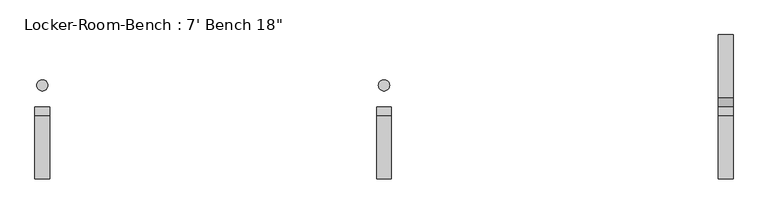
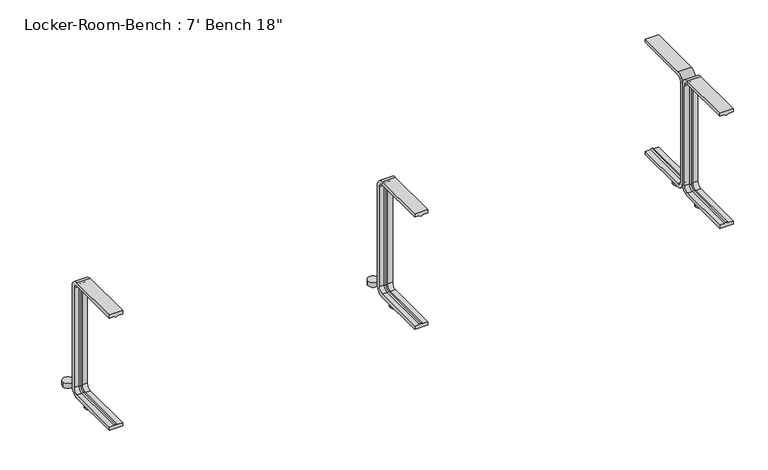
"""IFC4 building model written with IfcOpenShell, lengths in millimetres: proxy geometry."""

from ifc_helpers import new_model, si_unit, point, frame, frame_2d, origin, origin_with_axes, place, context, project, spatial, polyline, circle_curve, ellipse_curve, trimmed, segment, composite_curve, outline, extrude, source, transform, mapped, element, save
from ifc_brep_helpers import plane_surface, cylinder_surface, revolved_surface, advanced_brep


def proxy_ab2c8631(model_context):
    return source(origin(), model_context, "Body", "SolidModel", [
        extrude(outline(composite_curve([segment(trimmed(circle_curve(frame_2d((916.8, 57.5)), 15.0), [point((901.8, 57.5))], [point((931.8, 57.5))], False, "CARTESIAN"), True, "CONTINUOUS"), segment(trimmed(circle_curve(frame_2d((916.8, 57.5)), 15.0), [point((931.8, 57.5))], [point((901.8, 57.5))], False, "CARTESIAN"), True, "CONTINUOUS")], self_intersect=False)), origin_with_axes(), (0.0, 0.0, 1.0), 15.0),
        extrude(outline(composite_curve([segment(trimmed(circle_curve(frame_2d((916.8, -57.5)), 15.0), [point((901.8, -57.5))], [point((931.8, -57.5))], False, "CARTESIAN"), True, "CONTINUOUS"), segment(trimmed(circle_curve(frame_2d((916.8, -57.5)), 15.0), [point((931.8, -57.5))], [point((901.8, -57.5))], False, "CARTESIAN"), True, "CONTINUOUS")], self_intersect=False)), origin_with_axes(), (0.0, 0.0, 1.0), 15.0),
        extrude(outline(composite_curve([segment(trimmed(circle_curve(frame_2d((0.0, 57.5)), 15.0), [point((-15.0, 57.5))], [point((15.0, 57.5))], False, "CARTESIAN"), True, "CONTINUOUS"), segment(trimmed(circle_curve(frame_2d((0.0, 57.5)), 15.0), [point((15.0, 57.5))], [point((-15.0, 57.5))], False, "CARTESIAN"), True, "CONTINUOUS")], self_intersect=False)), origin_with_axes(), (0.0, 0.0, 1.0), 15.0),
        extrude(outline(composite_curve([segment(trimmed(circle_curve(frame_2d((0.0, -57.5)), 15.0), [point((-15.0, -57.5))], [point((15.0, -57.5))], False, "CARTESIAN"), True, "CONTINUOUS"), segment(trimmed(circle_curve(frame_2d((0.0, -57.5)), 15.0), [point((15.0, -57.5))], [point((-15.0, -57.5))], False, "CARTESIAN"), True, "CONTINUOUS")], self_intersect=False)), origin_with_axes(), (0.0, 0.0, 1.0), 15.0),
        extrude(outline(composite_curve([segment(trimmed(circle_curve(frame_2d((-916.8, 57.5)), 15.0), [point((-931.8, 57.5))], [point((-901.8, 57.5))], False, "CARTESIAN"), True, "CONTINUOUS"), segment(trimmed(circle_curve(frame_2d((-916.8, 57.5)), 15.0), [point((-901.8, 57.5))], [point((-931.8, 57.5))], False, "CARTESIAN"), True, "CONTINUOUS")], self_intersect=False)), origin_with_axes(), (0.0, 0.0, 1.0), 15.0),
        extrude(outline(composite_curve([segment(trimmed(circle_curve(frame_2d((-916.8, -57.5)), 15.0), [point((-931.8, -57.5))], [point((-901.8, -57.5))], False, "CARTESIAN"), True, "CONTINUOUS"), segment(trimmed(circle_curve(frame_2d((-916.8, -57.5)), 15.0), [point((-901.8, -57.5))], [point((-931.8, -57.5))], False, "CARTESIAN"), True, "CONTINUOUS")], self_intersect=False)), origin_with_axes(), (0.0, 0.0, 1.0), 15.0),
        advanced_brep(
        [(936.8, -193.6, 381.4), (896.8, -193.6, 381.4), (896.8, -193.6, 371.4), (911.8, -193.6, 371.4), (916.8, -193.6, 369.0684617), (921.8, -193.6, 371.4), (936.8, -193.6, 371.4), (936.8, -25.0, 371.4), (936.8, -10.0, 356.4), (936.8, -10.0, 40.0), (936.8, -25.0, 25.0), (936.8, -193.6, 25.0), (936.8, -193.6, 15.0), (936.8, -25.0, 15.0), (936.8, 0.0, 40.0), (936.8, 0.0, 356.4), (936.8, -25.0, 381.4), (921.8, -25.0, 371.4), (916.8, -25.0, 369.0684617), (911.8, -25.0, 371.4), (896.8, -25.0, 371.4), (896.8, -25.0, 381.4), (896.8, 0.0, 356.4), (896.8, 0.0, 40.0), (896.8, -25.0, 15.0), (896.8, -193.6, 15.0), (896.8, -193.6, 25.0), (896.8, -25.0, 25.0), (896.8, -10.0, 40.0), (896.8, -10.0, 356.4), (921.8, -10.0, 356.4), (916.8, -12.3315383, 356.4), (911.8, -10.0, 356.4), (921.8, -10.0, 40.0), (916.8, -12.3315383, 40.0), (911.8, -10.0, 40.0), (921.8, -25.0, 25.0), (916.8, -25.0, 27.3315383), (911.8, -25.0, 25.0), (921.8, -193.6, 25.0), (916.8, -193.6, 27.3315383), (911.8, -193.6, 25.0)],
        [
            (0, 1),
            (1, 2),
            (2, 3),
            (3, 4, circle_curve(frame((916.5003591, -193.6, 374.9529162), z_axis=(0.0, -1.0, 0.0), x_axis=(0.0, 0.0, -1.0)), 5.8920785)),
            (4, 5, circle_curve(frame((917.0996409, -193.6, 374.9529162), z_axis=(0.0, -1.0, 0.0), x_axis=(0.0, 0.0, -1.0)), 5.8920785)),
            (5, 6),
            (6, 0),
            (6, 7),
            (7, 8, circle_curve(frame((936.8, -25.0, 356.4), z_axis=(-1.0, 0.0, 0.0), x_axis=(0.0, 0.0, 1.0)), 15.0)),
            (8, 9),
            (9, 10, circle_curve(frame((936.8, -25.0, 40.0), z_axis=(-1.0, 0.0, 0.0), x_axis=(0.0, 1.0, 0.0)), 15.0)),
            (10, 11),
            (11, 12),
            (12, 13),
            (13, 14, circle_curve(frame((936.8, -25.0, 40.0), z_axis=(1.0, 0.0, 0.0), x_axis=(0.0, 1.0, 0.0)), 25.0)),
            (14, 15),
            (15, 16, circle_curve(frame((936.8, -25.0, 356.4), z_axis=(1.0, 0.0, 0.0), x_axis=(0.0, 0.0, 1.0)), 25.0)),
            (16, 0),
            (5, 17),
            (17, 7),
            (4, 18),
            (18, 17, circle_curve(frame((917.0996409, -25.0, 374.9529162), z_axis=(0.0, -1.0, 0.0), x_axis=(0.0, 0.0, -1.0)), 5.8920785)),
            (3, 19),
            (19, 18, circle_curve(frame((916.5003591, -25.0, 374.9529162), z_axis=(0.0, -1.0, 0.0), x_axis=(0.0, 0.0, -1.0)), 5.8920785)),
            (2, 20),
            (20, 19),
            (1, 21),
            (21, 22, circle_curve(frame((896.8, -25.0, 356.4), z_axis=(-1.0, 0.0, 0.0), x_axis=(0.0, 0.0, 1.0)), 25.0)),
            (22, 23),
            (23, 24, circle_curve(frame((896.8, -25.0, 40.0), z_axis=(-1.0, 0.0, 0.0), x_axis=(0.0, 1.0, 0.0)), 25.0)),
            (24, 25),
            (25, 26),
            (26, 27),
            (27, 28, circle_curve(frame((896.8, -25.0, 40.0), z_axis=(1.0, 0.0, 0.0), x_axis=(0.0, 1.0, 0.0)), 15.0)),
            (28, 29),
            (29, 20, circle_curve(frame((896.8, -25.0, 356.4), z_axis=(1.0, 0.0, 0.0), x_axis=(0.0, 0.0, 1.0)), 15.0)),
            (16, 21),
            (30, 8),
            (17, 30, circle_curve(frame((921.8, -25.0, 356.4), z_axis=(-1.0, 0.0, 0.0), x_axis=(0.0, 0.0, 1.0)), 15.0)),
            (31, 30, circle_curve(frame((917.0996409, -6.4470838, 356.4), z_axis=(0.0, 0.0, 1.0), x_axis=(0.0, -1.0, 0.0)), 5.8920785)),
            (18, 31, circle_curve(frame((916.8, -25.0, 356.4), z_axis=(-1.0, 0.0, 0.0), x_axis=(0.0, 0.0, 1.0)), 12.6684617)),
            (32, 31, circle_curve(frame((916.5003591, -6.4470838, 356.4), z_axis=(0.0, 0.0, 1.0), x_axis=(0.0, -1.0, 0.0)), 5.8920785)),
            (19, 32, circle_curve(frame((911.8, -25.0, 356.4), z_axis=(-1.0, 0.0, 0.0), x_axis=(0.0, 0.0, 1.0)), 15.0)),
            (29, 32),
            (15, 22),
            (30, 33),
            (33, 9),
            (31, 34),
            (34, 33, circle_curve(frame((917.0996409, -6.4470838, 40.0), z_axis=(0.0, 0.0, 1.0), x_axis=(0.0, -1.0, 0.0)), 5.8920785)),
            (32, 35),
            (35, 34, circle_curve(frame((916.5003591, -6.4470838, 40.0), z_axis=(0.0, 0.0, 1.0), x_axis=(0.0, -1.0, 0.0)), 5.8920785)),
            (28, 35),
            (14, 23),
            (36, 10),
            (33, 36, circle_curve(frame((921.8, -25.0, 40.0), z_axis=(-1.0, 0.0, 0.0), x_axis=(0.0, 1.0, 0.0)), 15.0)),
            (37, 36, circle_curve(frame((917.0996409, -25.0, 21.4470838), z_axis=(0.0, 1.0, 0.0), x_axis=(0.0, 0.0, 1.0)), 5.8920785)),
            (34, 37, circle_curve(frame((916.8, -25.0, 40.0), z_axis=(-1.0, 0.0, 0.0), x_axis=(0.0, 1.0, 0.0)), 12.6684617)),
            (38, 37, circle_curve(frame((916.5003591, -25.0, 21.4470838), z_axis=(0.0, 1.0, 0.0), x_axis=(0.0, 0.0, 1.0)), 5.8920785)),
            (35, 38, circle_curve(frame((911.8, -25.0, 40.0), z_axis=(-1.0, 0.0, 0.0), x_axis=(0.0, 1.0, 0.0)), 15.0)),
            (27, 38),
            (13, 24),
            (11, 39),
            (39, 40, circle_curve(frame((917.0996409, -193.6, 21.4470838), z_axis=(0.0, -1.0, 0.0), x_axis=(0.0, 0.0, 1.0)), 5.8920785)),
            (40, 41, circle_curve(frame((916.5003591, -193.6, 21.4470838), z_axis=(0.0, -1.0, 0.0), x_axis=(0.0, 0.0, 1.0)), 5.8920785)),
            (41, 26),
            (25, 12),
            (36, 39),
            (37, 40),
            (38, 41),
        ],
        [
            plane_surface(frame((916.8, -193.6, 381.4), z_axis=(0.0, -1.0, 0.0), x_axis=(1.0, 0.0, 0.0))),
            plane_surface(frame((936.8, -193.6, 381.4), z_axis=(1.0, 0.0, 0.0), x_axis=(0.0, 1.0, 0.0))),
            plane_surface(frame((936.8, -193.6, 371.4), z_axis=(0.0, 0.0, -1.0), x_axis=(0.0, 1.0, 0.0))),
            cylinder_surface(frame((917.0996409, -193.6, 374.9529162), z_axis=(0.0, -1.0, 0.0), x_axis=(0.0, 0.0, -1.0)), 5.8920785),
            cylinder_surface(frame((916.5003591, -193.6, 374.9529162), z_axis=(0.0, -1.0, 0.0), x_axis=(0.0, 0.0, -1.0)), 5.8920785),
            plane_surface(frame((911.8, -193.6, 371.4), z_axis=(0.0, 0.0, -1.0), x_axis=(0.0, 1.0, 0.0))),
            plane_surface(frame((896.8, -193.6, 371.4), z_axis=(-1.0, 0.0, 0.0), x_axis=(0.0, 1.0, 0.0))),
            plane_surface(frame((896.8, -193.6, 381.4), z_axis=(0.0, 0.0, 1.0), x_axis=(0.0, 1.0, 0.0))),
            revolved_surface(polyline([(936.8, -25.0, 371.4), (921.8, -25.0, 371.4)]), (916.8, -25.0, 356.4), (1.0, 0.0, 0.0)),
            revolved_surface(trimmed(ellipse_curve(frame((917.0996409, -25.0, 374.9529162), z_axis=(0.0, 1.0, 0.0), x_axis=(0.0, 0.0, -1.0)), 5.8920785, 5.8920785), [point((921.8, -25.0, 371.4))], [point((916.8, -25.0, 369.0684617))], True, "CARTESIAN"), (916.8, -25.0, 356.4), (1.0, 0.0, 0.0)),
            revolved_surface(trimmed(ellipse_curve(frame((916.5003591, -25.0, 374.9529162), z_axis=(0.0, 1.0, 0.0), x_axis=(0.0, 0.0, -1.0)), 5.8920785, 5.8920785), [point((916.8, -25.0, 369.0684617))], [point((911.8, -25.0, 371.4))], True, "CARTESIAN"), (916.8, -25.0, 356.4), (1.0, 0.0, 0.0)),
            revolved_surface(polyline([(911.8, -25.0, 371.4), (896.8, -25.0, 371.4)]), (916.8, -25.0, 356.4), (1.0, 0.0, 0.0)),
            cylinder_surface(frame((916.8, -25.0, 356.4), z_axis=(1.0, 0.0, 0.0), x_axis=(0.0, 0.0, 1.0)), 25.0),
            plane_surface(frame((936.8, -10.0, 356.4), z_axis=(0.0, -1.0, 0.0), x_axis=(0.0, 0.0, -1.0))),
            cylinder_surface(frame((917.0996409, -6.4470838, 356.4), z_axis=(0.0, 0.0, 1.0), x_axis=(0.0, -1.0, 0.0)), 5.8920785),
            cylinder_surface(frame((916.5003591, -6.4470838, 356.4), z_axis=(0.0, 0.0, 1.0), x_axis=(0.0, -1.0, 0.0)), 5.8920785),
            plane_surface(frame((911.8, -10.0, 356.4), z_axis=(0.0, -1.0, 0.0), x_axis=(0.0, 0.0, -1.0))),
            plane_surface(frame((896.8, 0.0, 356.4), z_axis=(0.0, 1.0, 0.0), x_axis=(0.0, 0.0, -1.0))),
            revolved_surface(polyline([(936.8, -10.0, 40.0), (921.8, -10.0, 40.0)]), (916.8, -25.0, 40.0), (1.0, 0.0, 0.0)),
            revolved_surface(trimmed(ellipse_curve(frame((917.0996409, -6.4470838, 40.0), z_axis=(0.0, 0.0, -1.0), x_axis=(0.0, -1.0, 0.0)), 5.8920785, 5.8920785), [point((921.8, -10.0, 40.0))], [point((916.8, -12.3315383, 40.0))], True, "CARTESIAN"), (916.8, -25.0, 40.0), (1.0, 0.0, 0.0)),
            revolved_surface(trimmed(ellipse_curve(frame((916.5003591, -6.4470838, 40.0), z_axis=(0.0, 0.0, -1.0), x_axis=(0.0, -1.0, 0.0)), 5.8920785, 5.8920785), [point((916.8, -12.3315383, 40.0))], [point((911.8, -10.0, 40.0))], True, "CARTESIAN"), (916.8, -25.0, 40.0), (1.0, 0.0, 0.0)),
            revolved_surface(polyline([(911.8, -10.0, 40.0), (896.8, -10.0, 40.0)]), (916.8, -25.0, 40.0), (1.0, 0.0, 0.0)),
            cylinder_surface(frame((916.8, -25.0, 40.0), z_axis=(1.0, 0.0, 0.0), x_axis=(0.0, 1.0, 0.0)), 25.0),
            plane_surface(frame((916.8, -193.6, 15.0), z_axis=(0.0, -1.0, 0.0), x_axis=(1.0, 0.0, 0.0))),
            plane_surface(frame((936.8, -25.0, 25.0), z_axis=(0.0, 0.0, 1.0), x_axis=(0.0, -1.0, 0.0))),
            cylinder_surface(frame((917.0996409, -25.0, 21.4470838), z_axis=(0.0, 1.0, 0.0), x_axis=(0.0, 0.0, 1.0)), 5.8920785),
            cylinder_surface(frame((916.5003591, -25.0, 21.4470838), z_axis=(0.0, 1.0, 0.0), x_axis=(0.0, 0.0, 1.0)), 5.8920785),
            plane_surface(frame((911.8, -25.0, 25.0), z_axis=(0.0, 0.0, 1.0), x_axis=(0.0, -1.0, 0.0))),
            plane_surface(frame((896.8, -25.0, 15.0), z_axis=(0.0, 0.0, -1.0), x_axis=(0.0, -1.0, 0.0))),
        ],
        [
            (0, [[1, 2, 3, 4, 5, 6, 7]]),
            (1, [[8, 9, 10, 11, 12, 13, 14, 15, 16, 17, 18, -7]]),
            (2, [[19, 20, -8, -6]]),
            (3, [[21, 22, -19, -5]]),
            (4, [[23, 24, -21, -4]]),
            (5, [[25, 26, -23, -3]]),
            (6, [[27, 28, 29, 30, 31, 32, 33, 34, 35, 36, -25, -2]]),
            (7, [[-18, 37, -27, -1]]),
            (8, [[38, -9, -20, 39]]),
            (9, [[40, -39, -22, 41]]),
            (10, [[42, -41, -24, 43]]),
            (11, [[44, -43, -26, -36]]),
            (12, [[45, -28, -37, -17]]),
            (13, [[46, 47, -10, -38]]),
            (14, [[48, 49, -46, -40]]),
            (15, [[50, 51, -48, -42]]),
            (16, [[-35, 52, -50, -44]]),
            (17, [[-16, 53, -29, -45]]),
            (18, [[54, -11, -47, 55]]),
            (19, [[56, -55, -49, 57]]),
            (20, [[58, -57, -51, 59]]),
            (21, [[60, -59, -52, -34]]),
            (22, [[61, -30, -53, -15]]),
            (23, [[-13, 62, 63, 64, 65, -32, 66]]),
            (24, [[67, -62, -12, -54]]),
            (25, [[68, -63, -67, -56]]),
            (26, [[69, -64, -68, -58]]),
            (27, [[-33, -65, -69, -60]]),
            (28, [[-14, -66, -31, -61]]),
        ],
    ),
        advanced_brep(
        [(20.0, -193.6, 381.4), (-20.0, -193.6, 381.4), (-20.0, -193.6, 371.4), (-5.0, -193.6, 371.4), (0.0, -193.6, 369.0684617), (5.0, -193.6, 371.4), (20.0, -193.6, 371.4), (20.0, -25.0, 371.4), (20.0, -10.0, 356.4), (20.0, -10.0, 40.0), (20.0, -25.0, 25.0), (20.0, -193.6, 25.0), (20.0, -193.6, 15.0), (20.0, -25.0, 15.0), (20.0, 0.0, 40.0), (20.0, 0.0, 356.4), (20.0, -25.0, 381.4), (5.0, -25.0, 371.4), (0.0, -25.0, 369.0684617), (-5.0, -25.0, 371.4), (-20.0, -25.0, 371.4), (-20.0, -25.0, 381.4), (-20.0, 0.0, 356.4), (-20.0, 0.0, 40.0), (-20.0, -25.0, 15.0), (-20.0, -193.6, 15.0), (-20.0, -193.6, 25.0), (-20.0, -25.0, 25.0), (-20.0, -10.0, 40.0), (-20.0, -10.0, 356.4), (5.0, -10.0, 356.4), (0.0, -12.3315383, 356.4), (-5.0, -10.0, 356.4), (5.0, -10.0, 40.0), (0.0, -12.3315383, 40.0), (-5.0, -10.0, 40.0), (5.0, -25.0, 25.0), (0.0, -25.0, 27.3315383), (-5.0, -25.0, 25.0), (5.0, -193.6, 25.0), (0.0, -193.6, 27.3315383), (-5.0, -193.6, 25.0)],
        [
            (0, 1),
            (1, 2),
            (2, 3),
            (3, 4, circle_curve(frame((-0.2996409, -193.6, 374.9529162), z_axis=(0.0, -1.0, 0.0), x_axis=(0.0, 0.0, -1.0)), 5.8920785)),
            (4, 5, circle_curve(frame((0.2996409, -193.6, 374.9529162), z_axis=(0.0, -1.0, 0.0), x_axis=(0.0, 0.0, -1.0)), 5.8920785)),
            (5, 6),
            (6, 0),
            (6, 7),
            (7, 8, circle_curve(frame((20.0, -25.0, 356.4), z_axis=(-1.0, 0.0, 0.0), x_axis=(0.0, 0.0, 1.0)), 15.0)),
            (8, 9),
            (9, 10, circle_curve(frame((20.0, -25.0, 40.0), z_axis=(-1.0, 0.0, 0.0), x_axis=(0.0, 1.0, 0.0)), 15.0)),
            (10, 11),
            (11, 12),
            (12, 13),
            (13, 14, circle_curve(frame((20.0, -25.0, 40.0), z_axis=(1.0, 0.0, 0.0), x_axis=(0.0, 1.0, 0.0)), 25.0)),
            (14, 15),
            (15, 16, circle_curve(frame((20.0, -25.0, 356.4), z_axis=(1.0, 0.0, 0.0), x_axis=(0.0, 0.0, 1.0)), 25.0)),
            (16, 0),
            (5, 17),
            (17, 7),
            (4, 18),
            (18, 17, circle_curve(frame((0.2996409, -25.0, 374.9529162), z_axis=(0.0, -1.0, 0.0), x_axis=(0.0, 0.0, -1.0)), 5.8920785)),
            (3, 19),
            (19, 18, circle_curve(frame((-0.2996409, -25.0, 374.9529162), z_axis=(0.0, -1.0, 0.0), x_axis=(0.0, 0.0, -1.0)), 5.8920785)),
            (2, 20),
            (20, 19),
            (1, 21),
            (21, 22, circle_curve(frame((-20.0, -25.0, 356.4), z_axis=(-1.0, 0.0, 0.0), x_axis=(0.0, 0.0, 1.0)), 25.0)),
            (22, 23),
            (23, 24, circle_curve(frame((-20.0, -25.0, 40.0), z_axis=(-1.0, 0.0, 0.0), x_axis=(0.0, 1.0, 0.0)), 25.0)),
            (24, 25),
            (25, 26),
            (26, 27),
            (27, 28, circle_curve(frame((-20.0, -25.0, 40.0), z_axis=(1.0, 0.0, 0.0), x_axis=(0.0, 1.0, 0.0)), 15.0)),
            (28, 29),
            (29, 20, circle_curve(frame((-20.0, -25.0, 356.4), z_axis=(1.0, 0.0, 0.0), x_axis=(0.0, 0.0, 1.0)), 15.0)),
            (16, 21),
            (30, 8),
            (17, 30, circle_curve(frame((5.0, -25.0, 356.4), z_axis=(-1.0, 0.0, 0.0), x_axis=(0.0, 0.0, 1.0)), 15.0)),
            (31, 30, circle_curve(frame((0.2996409, -6.4470838, 356.4), z_axis=(0.0, 0.0, 1.0), x_axis=(0.0, -1.0, 0.0)), 5.8920785)),
            (18, 31, circle_curve(frame((0.0, -25.0, 356.4), z_axis=(-1.0, 0.0, 0.0), x_axis=(0.0, 0.0, 1.0)), 12.6684617)),
            (32, 31, circle_curve(frame((-0.2996409, -6.4470838, 356.4), z_axis=(0.0, 0.0, 1.0), x_axis=(0.0, -1.0, 0.0)), 5.8920785)),
            (19, 32, circle_curve(frame((-5.0, -25.0, 356.4), z_axis=(-1.0, 0.0, 0.0), x_axis=(0.0, 0.0, 1.0)), 15.0)),
            (29, 32),
            (15, 22),
            (30, 33),
            (33, 9),
            (31, 34),
            (34, 33, circle_curve(frame((0.2996409, -6.4470838, 40.0), z_axis=(0.0, 0.0, 1.0), x_axis=(0.0, -1.0, 0.0)), 5.8920785)),
            (32, 35),
            (35, 34, circle_curve(frame((-0.2996409, -6.4470838, 40.0), z_axis=(0.0, 0.0, 1.0), x_axis=(0.0, -1.0, 0.0)), 5.8920785)),
            (28, 35),
            (14, 23),
            (36, 10),
            (33, 36, circle_curve(frame((5.0, -25.0, 40.0), z_axis=(-1.0, 0.0, 0.0), x_axis=(0.0, 1.0, 0.0)), 15.0)),
            (37, 36, circle_curve(frame((0.2996409, -25.0, 21.4470838), z_axis=(0.0, 1.0, 0.0), x_axis=(0.0, 0.0, 1.0)), 5.8920785)),
            (34, 37, circle_curve(frame((0.0, -25.0, 40.0), z_axis=(-1.0, 0.0, 0.0), x_axis=(0.0, 1.0, 0.0)), 12.6684617)),
            (38, 37, circle_curve(frame((-0.2996409, -25.0, 21.4470838), z_axis=(0.0, 1.0, 0.0), x_axis=(0.0, 0.0, 1.0)), 5.8920785)),
            (35, 38, circle_curve(frame((-5.0, -25.0, 40.0), z_axis=(-1.0, 0.0, 0.0), x_axis=(0.0, 1.0, 0.0)), 15.0)),
            (27, 38),
            (13, 24),
            (11, 39),
            (39, 40, circle_curve(frame((0.2996409, -193.6, 21.4470838), z_axis=(0.0, -1.0, 0.0), x_axis=(0.0, 0.0, 1.0)), 5.8920785)),
            (40, 41, circle_curve(frame((-0.2996409, -193.6, 21.4470838), z_axis=(0.0, -1.0, 0.0), x_axis=(0.0, 0.0, 1.0)), 5.8920785)),
            (41, 26),
            (25, 12),
            (36, 39),
            (37, 40),
            (38, 41),
        ],
        [
            plane_surface(frame((0.0, -193.6, 381.4), z_axis=(0.0, -1.0, 0.0), x_axis=(1.0, 0.0, 0.0))),
            plane_surface(frame((20.0, -193.6, 381.4), z_axis=(1.0, 0.0, 0.0), x_axis=(0.0, 1.0, 0.0))),
            plane_surface(frame((20.0, -193.6, 371.4), z_axis=(0.0, 0.0, -1.0), x_axis=(0.0, 1.0, 0.0))),
            cylinder_surface(frame((0.2996409, -193.6, 374.9529162), z_axis=(0.0, -1.0, 0.0), x_axis=(0.0, 0.0, -1.0)), 5.8920785),
            cylinder_surface(frame((-0.2996409, -193.6, 374.9529162), z_axis=(0.0, -1.0, 0.0), x_axis=(0.0, 0.0, -1.0)), 5.8920785),
            plane_surface(frame((-5.0, -193.6, 371.4), z_axis=(0.0, 0.0, -1.0), x_axis=(0.0, 1.0, 0.0))),
            plane_surface(frame((-20.0, -193.6, 371.4), z_axis=(-1.0, 0.0, 0.0), x_axis=(0.0, 1.0, 0.0))),
            plane_surface(frame((-20.0, -193.6, 381.4), z_axis=(0.0, 0.0, 1.0), x_axis=(0.0, 1.0, 0.0))),
            revolved_surface(polyline([(20.0, -25.0, 371.4), (5.0, -25.0, 371.4)]), (0.0, -25.0, 356.4), (1.0, 0.0, 0.0)),
            revolved_surface(trimmed(ellipse_curve(frame((0.2996409, -25.0, 374.9529162), z_axis=(0.0, 1.0, 0.0), x_axis=(0.0, 0.0, -1.0)), 5.8920785, 5.8920785), [point((5.0, -25.0, 371.4))], [point((0.0, -25.0, 369.0684617))], True, "CARTESIAN"), (0.0, -25.0, 356.4), (1.0, 0.0, 0.0)),
            revolved_surface(trimmed(ellipse_curve(frame((-0.2996409, -25.0, 374.9529162), z_axis=(0.0, 1.0, 0.0), x_axis=(0.0, 0.0, -1.0)), 5.8920785, 5.8920785), [point((0.0, -25.0, 369.0684617))], [point((-5.0, -25.0, 371.4))], True, "CARTESIAN"), (0.0, -25.0, 356.4), (1.0, 0.0, 0.0)),
            revolved_surface(polyline([(-5.0, -25.0, 371.4), (-20.0, -25.0, 371.4)]), (0.0, -25.0, 356.4), (1.0, 0.0, 0.0)),
            cylinder_surface(frame((0.0, -25.0, 356.4), z_axis=(1.0, 0.0, 0.0), x_axis=(0.0, 0.0, 1.0)), 25.0),
            plane_surface(frame((20.0, -10.0, 356.4), z_axis=(0.0, -1.0, 0.0), x_axis=(0.0, 0.0, -1.0))),
            cylinder_surface(frame((0.2996409, -6.4470838, 356.4), z_axis=(0.0, 0.0, 1.0), x_axis=(0.0, -1.0, 0.0)), 5.8920785),
            cylinder_surface(frame((-0.2996409, -6.4470838, 356.4), z_axis=(0.0, 0.0, 1.0), x_axis=(0.0, -1.0, 0.0)), 5.8920785),
            plane_surface(frame((-5.0, -10.0, 356.4), z_axis=(0.0, -1.0, 0.0), x_axis=(0.0, 0.0, -1.0))),
            plane_surface(frame((-20.0, 0.0, 356.4), z_axis=(0.0, 1.0, 0.0), x_axis=(0.0, 0.0, -1.0))),
            revolved_surface(polyline([(20.0, -10.0, 40.0), (5.0, -10.0, 40.0)]), (0.0, -25.0, 40.0), (1.0, 0.0, 0.0)),
            revolved_surface(trimmed(ellipse_curve(frame((0.2996409, -6.4470838, 40.0), z_axis=(0.0, 0.0, -1.0), x_axis=(0.0, -1.0, 0.0)), 5.8920785, 5.8920785), [point((5.0, -10.0, 40.0))], [point((0.0, -12.3315383, 40.0))], True, "CARTESIAN"), (0.0, -25.0, 40.0), (1.0, 0.0, 0.0)),
            revolved_surface(trimmed(ellipse_curve(frame((-0.2996409, -6.4470838, 40.0), z_axis=(0.0, 0.0, -1.0), x_axis=(0.0, -1.0, 0.0)), 5.8920785, 5.8920785), [point((0.0, -12.3315383, 40.0))], [point((-5.0, -10.0, 40.0))], True, "CARTESIAN"), (0.0, -25.0, 40.0), (1.0, 0.0, 0.0)),
            revolved_surface(polyline([(-5.0, -10.0, 40.0), (-20.0, -10.0, 40.0)]), (0.0, -25.0, 40.0), (1.0, 0.0, 0.0)),
            cylinder_surface(frame((0.0, -25.0, 40.0), z_axis=(1.0, 0.0, 0.0), x_axis=(0.0, 1.0, 0.0)), 25.0),
            plane_surface(frame((0.0, -193.6, 15.0), z_axis=(0.0, -1.0, 0.0), x_axis=(1.0, 0.0, 0.0))),
            plane_surface(frame((20.0, -25.0, 25.0), z_axis=(0.0, 0.0, 1.0), x_axis=(0.0, -1.0, 0.0))),
            cylinder_surface(frame((0.2996409, -25.0, 21.4470838), z_axis=(0.0, 1.0, 0.0), x_axis=(0.0, 0.0, 1.0)), 5.8920785),
            cylinder_surface(frame((-0.2996409, -25.0, 21.4470838), z_axis=(0.0, 1.0, 0.0), x_axis=(0.0, 0.0, 1.0)), 5.8920785),
            plane_surface(frame((-5.0, -25.0, 25.0), z_axis=(0.0, 0.0, 1.0), x_axis=(0.0, -1.0, 0.0))),
            plane_surface(frame((-20.0, -25.0, 15.0), z_axis=(0.0, 0.0, -1.0), x_axis=(0.0, -1.0, 0.0))),
        ],
        [
            (0, [[1, 2, 3, 4, 5, 6, 7]]),
            (1, [[8, 9, 10, 11, 12, 13, 14, 15, 16, 17, 18, -7]]),
            (2, [[19, 20, -8, -6]]),
            (3, [[21, 22, -19, -5]]),
            (4, [[23, 24, -21, -4]]),
            (5, [[25, 26, -23, -3]]),
            (6, [[27, 28, 29, 30, 31, 32, 33, 34, 35, 36, -25, -2]]),
            (7, [[-18, 37, -27, -1]]),
            (8, [[38, -9, -20, 39]]),
            (9, [[40, -39, -22, 41]]),
            (10, [[42, -41, -24, 43]]),
            (11, [[44, -43, -26, -36]]),
            (12, [[45, -28, -37, -17]]),
            (13, [[46, 47, -10, -38]]),
            (14, [[48, 49, -46, -40]]),
            (15, [[50, 51, -48, -42]]),
            (16, [[-35, 52, -50, -44]]),
            (17, [[-16, 53, -29, -45]]),
            (18, [[54, -11, -47, 55]]),
            (19, [[56, -55, -49, 57]]),
            (20, [[58, -57, -51, 59]]),
            (21, [[60, -59, -52, -34]]),
            (22, [[61, -30, -53, -15]]),
            (23, [[-13, 62, 63, 64, 65, -32, 66]]),
            (24, [[67, -62, -12, -54]]),
            (25, [[68, -63, -67, -56]]),
            (26, [[69, -64, -68, -58]]),
            (27, [[-33, -65, -69, -60]]),
            (28, [[-14, -66, -31, -61]]),
        ],
    ),
        advanced_brep(
        [(-896.8, -193.6, 381.4), (-936.8, -193.6, 381.4), (-936.8, -193.6, 371.4), (-921.8, -193.6, 371.4), (-916.8, -193.6, 369.0684617), (-911.8, -193.6, 371.4), (-896.8, -193.6, 371.4), (-896.8, -25.0, 371.4), (-896.8, -10.0, 356.4), (-896.8, -10.0, 40.0), (-896.8, -25.0, 25.0), (-896.8, -193.6, 25.0), (-896.8, -193.6, 15.0), (-896.8, -25.0, 15.0), (-896.8, 0.0, 40.0), (-896.8, 0.0, 356.4), (-896.8, -25.0, 381.4), (-911.8, -25.0, 371.4), (-916.8, -25.0, 369.0684617), (-921.8, -25.0, 371.4), (-936.8, -25.0, 371.4), (-936.8, -25.0, 381.4), (-936.8, 0.0, 356.4), (-936.8, 0.0, 40.0), (-936.8, -25.0, 15.0), (-936.8, -193.6, 15.0), (-936.8, -193.6, 25.0), (-936.8, -25.0, 25.0), (-936.8, -10.0, 40.0), (-936.8, -10.0, 356.4), (-911.8, -10.0, 356.4), (-916.8, -12.3315383, 356.4), (-921.8, -10.0, 356.4), (-911.8, -10.0, 40.0), (-916.8, -12.3315383, 40.0), (-921.8, -10.0, 40.0), (-911.8, -25.0, 25.0), (-916.8, -25.0, 27.3315383), (-921.8, -25.0, 25.0), (-911.8, -193.6, 25.0), (-916.8, -193.6, 27.3315383), (-921.8, -193.6, 25.0)],
        [
            (0, 1),
            (1, 2),
            (2, 3),
            (3, 4, circle_curve(frame((-917.0996409, -193.6, 374.9529162), z_axis=(0.0, -1.0, 0.0), x_axis=(0.0, 0.0, -1.0)), 5.8920785)),
            (4, 5, circle_curve(frame((-916.5003591, -193.6, 374.9529162), z_axis=(0.0, -1.0, 0.0), x_axis=(0.0, 0.0, -1.0)), 5.8920785)),
            (5, 6),
            (6, 0),
            (6, 7),
            (7, 8, circle_curve(frame((-896.8, -25.0, 356.4), z_axis=(-1.0, 0.0, 0.0), x_axis=(0.0, 0.0, 1.0)), 15.0)),
            (8, 9),
            (9, 10, circle_curve(frame((-896.8, -25.0, 40.0), z_axis=(-1.0, 0.0, 0.0), x_axis=(0.0, 1.0, 0.0)), 15.0)),
            (10, 11),
            (11, 12),
            (12, 13),
            (13, 14, circle_curve(frame((-896.8, -25.0, 40.0), z_axis=(1.0, 0.0, 0.0), x_axis=(0.0, 1.0, 0.0)), 25.0)),
            (14, 15),
            (15, 16, circle_curve(frame((-896.8, -25.0, 356.4), z_axis=(1.0, 0.0, 0.0), x_axis=(0.0, 0.0, 1.0)), 25.0)),
            (16, 0),
            (5, 17),
            (17, 7),
            (4, 18),
            (18, 17, circle_curve(frame((-916.5003591, -25.0, 374.9529162), z_axis=(0.0, -1.0, 0.0), x_axis=(0.0, 0.0, -1.0)), 5.8920785)),
            (3, 19),
            (19, 18, circle_curve(frame((-917.0996409, -25.0, 374.9529162), z_axis=(0.0, -1.0, 0.0), x_axis=(0.0, 0.0, -1.0)), 5.8920785)),
            (2, 20),
            (20, 19),
            (1, 21),
            (21, 22, circle_curve(frame((-936.8, -25.0, 356.4), z_axis=(-1.0, 0.0, 0.0), x_axis=(0.0, 0.0, 1.0)), 25.0)),
            (22, 23),
            (23, 24, circle_curve(frame((-936.8, -25.0, 40.0), z_axis=(-1.0, 0.0, 0.0), x_axis=(0.0, 1.0, 0.0)), 25.0)),
            (24, 25),
            (25, 26),
            (26, 27),
            (27, 28, circle_curve(frame((-936.8, -25.0, 40.0), z_axis=(1.0, 0.0, 0.0), x_axis=(0.0, 1.0, 0.0)), 15.0)),
            (28, 29),
            (29, 20, circle_curve(frame((-936.8, -25.0, 356.4), z_axis=(1.0, 0.0, 0.0), x_axis=(0.0, 0.0, 1.0)), 15.0)),
            (16, 21),
            (30, 8),
            (17, 30, circle_curve(frame((-911.8, -25.0, 356.4), z_axis=(-1.0, 0.0, 0.0), x_axis=(0.0, 0.0, 1.0)), 15.0)),
            (31, 30, circle_curve(frame((-916.5003591, -6.4470838, 356.4), z_axis=(0.0, 0.0, 1.0), x_axis=(0.0, -1.0, 0.0)), 5.8920785)),
            (18, 31, circle_curve(frame((-916.8, -25.0, 356.4), z_axis=(-1.0, 0.0, 0.0), x_axis=(0.0, 0.0, 1.0)), 12.6684617)),
            (32, 31, circle_curve(frame((-917.0996409, -6.4470838, 356.4), z_axis=(0.0, 0.0, 1.0), x_axis=(0.0, -1.0, 0.0)), 5.8920785)),
            (19, 32, circle_curve(frame((-921.8, -25.0, 356.4), z_axis=(-1.0, 0.0, 0.0), x_axis=(0.0, 0.0, 1.0)), 15.0)),
            (29, 32),
            (15, 22),
            (30, 33),
            (33, 9),
            (31, 34),
            (34, 33, circle_curve(frame((-916.5003591, -6.4470838, 40.0), z_axis=(0.0, 0.0, 1.0), x_axis=(0.0, -1.0, 0.0)), 5.8920785)),
            (32, 35),
            (35, 34, circle_curve(frame((-917.0996409, -6.4470838, 40.0), z_axis=(0.0, 0.0, 1.0), x_axis=(0.0, -1.0, 0.0)), 5.8920785)),
            (28, 35),
            (14, 23),
            (36, 10),
            (33, 36, circle_curve(frame((-911.8, -25.0, 40.0), z_axis=(-1.0, 0.0, 0.0), x_axis=(0.0, 1.0, 0.0)), 15.0)),
            (37, 36, circle_curve(frame((-916.5003591, -25.0, 21.4470838), z_axis=(0.0, 1.0, 0.0), x_axis=(0.0, 0.0, 1.0)), 5.8920785)),
            (34, 37, circle_curve(frame((-916.8, -25.0, 40.0), z_axis=(-1.0, 0.0, 0.0), x_axis=(0.0, 1.0, 0.0)), 12.6684617)),
            (38, 37, circle_curve(frame((-917.0996409, -25.0, 21.4470838), z_axis=(0.0, 1.0, 0.0), x_axis=(0.0, 0.0, 1.0)), 5.8920785)),
            (35, 38, circle_curve(frame((-921.8, -25.0, 40.0), z_axis=(-1.0, 0.0, 0.0), x_axis=(0.0, 1.0, 0.0)), 15.0)),
            (27, 38),
            (13, 24),
            (11, 39),
            (39, 40, circle_curve(frame((-916.5003591, -193.6, 21.4470838), z_axis=(0.0, -1.0, 0.0), x_axis=(0.0, 0.0, 1.0)), 5.8920785)),
            (40, 41, circle_curve(frame((-917.0996409, -193.6, 21.4470838), z_axis=(0.0, -1.0, 0.0), x_axis=(0.0, 0.0, 1.0)), 5.8920785)),
            (41, 26),
            (25, 12),
            (36, 39),
            (37, 40),
            (38, 41),
        ],
        [
            plane_surface(frame((-916.8, -193.6, 381.4), z_axis=(0.0, -1.0, 0.0), x_axis=(1.0, 0.0, 0.0))),
            plane_surface(frame((-896.8, -193.6, 381.4), z_axis=(1.0, 0.0, 0.0), x_axis=(0.0, 1.0, 0.0))),
            plane_surface(frame((-896.8, -193.6, 371.4), z_axis=(0.0, 0.0, -1.0), x_axis=(0.0, 1.0, 0.0))),
            cylinder_surface(frame((-916.5003591, -193.6, 374.9529162), z_axis=(0.0, -1.0, 0.0), x_axis=(0.0, 0.0, -1.0)), 5.8920785),
            cylinder_surface(frame((-917.0996409, -193.6, 374.9529162), z_axis=(0.0, -1.0, 0.0), x_axis=(0.0, 0.0, -1.0)), 5.8920785),
            plane_surface(frame((-921.8, -193.6, 371.4), z_axis=(0.0, 0.0, -1.0), x_axis=(0.0, 1.0, 0.0))),
            plane_surface(frame((-936.8, -193.6, 371.4), z_axis=(-1.0, 0.0, 0.0), x_axis=(0.0, 1.0, 0.0))),
            plane_surface(frame((-936.8, -193.6, 381.4), z_axis=(0.0, 0.0, 1.0), x_axis=(0.0, 1.0, 0.0))),
            revolved_surface(polyline([(-896.8, -25.0, 371.4), (-911.8, -25.0, 371.4)]), (-916.8, -25.0, 356.4), (1.0, 0.0, 0.0)),
            revolved_surface(trimmed(ellipse_curve(frame((-916.5003591, -25.0, 374.9529162), z_axis=(0.0, 1.0, 0.0), x_axis=(0.0, 0.0, -1.0)), 5.8920785, 5.8920785), [point((-911.8, -25.0, 371.4))], [point((-916.8, -25.0, 369.0684617))], True, "CARTESIAN"), (-916.8, -25.0, 356.4), (1.0, 0.0, 0.0)),
            revolved_surface(trimmed(ellipse_curve(frame((-917.0996409, -25.0, 374.9529162), z_axis=(0.0, 1.0, 0.0), x_axis=(0.0, 0.0, -1.0)), 5.8920785, 5.8920785), [point((-916.8, -25.0, 369.0684617))], [point((-921.8, -25.0, 371.4))], True, "CARTESIAN"), (-916.8, -25.0, 356.4), (1.0, 0.0, 0.0)),
            revolved_surface(polyline([(-921.8, -25.0, 371.4), (-936.8, -25.0, 371.4)]), (-916.8, -25.0, 356.4), (1.0, 0.0, 0.0)),
            cylinder_surface(frame((-916.8, -25.0, 356.4), z_axis=(1.0, 0.0, 0.0), x_axis=(0.0, 0.0, 1.0)), 25.0),
            plane_surface(frame((-896.8, -10.0, 356.4), z_axis=(0.0, -1.0, 0.0), x_axis=(0.0, 0.0, -1.0))),
            cylinder_surface(frame((-916.5003591, -6.4470838, 356.4), z_axis=(0.0, 0.0, 1.0), x_axis=(0.0, -1.0, 0.0)), 5.8920785),
            cylinder_surface(frame((-917.0996409, -6.4470838, 356.4), z_axis=(0.0, 0.0, 1.0), x_axis=(0.0, -1.0, 0.0)), 5.8920785),
            plane_surface(frame((-921.8, -10.0, 356.4), z_axis=(0.0, -1.0, 0.0), x_axis=(0.0, 0.0, -1.0))),
            plane_surface(frame((-936.8, 0.0, 356.4), z_axis=(0.0, 1.0, 0.0), x_axis=(0.0, 0.0, -1.0))),
            revolved_surface(polyline([(-896.8, -10.0, 40.0), (-911.8, -10.0, 40.0)]), (-916.8, -25.0, 40.0), (1.0, 0.0, 0.0)),
            revolved_surface(trimmed(ellipse_curve(frame((-916.5003591, -6.4470838, 40.0), z_axis=(0.0, 0.0, -1.0), x_axis=(0.0, -1.0, 0.0)), 5.8920785, 5.8920785), [point((-911.8, -10.0, 40.0))], [point((-916.8, -12.3315383, 40.0))], True, "CARTESIAN"), (-916.8, -25.0, 40.0), (1.0, 0.0, 0.0)),
            revolved_surface(trimmed(ellipse_curve(frame((-917.0996409, -6.4470838, 40.0), z_axis=(0.0, 0.0, -1.0), x_axis=(0.0, -1.0, 0.0)), 5.8920785, 5.8920785), [point((-916.8, -12.3315383, 40.0))], [point((-921.8, -10.0, 40.0))], True, "CARTESIAN"), (-916.8, -25.0, 40.0), (1.0, 0.0, 0.0)),
            revolved_surface(polyline([(-921.8, -10.0, 40.0), (-936.8, -10.0, 40.0)]), (-916.8, -25.0, 40.0), (1.0, 0.0, 0.0)),
            cylinder_surface(frame((-916.8, -25.0, 40.0), z_axis=(1.0, 0.0, 0.0), x_axis=(0.0, 1.0, 0.0)), 25.0),
            plane_surface(frame((-916.8, -193.6, 15.0), z_axis=(0.0, -1.0, 0.0), x_axis=(1.0, 0.0, 0.0))),
            plane_surface(frame((-896.8, -25.0, 25.0), z_axis=(0.0, 0.0, 1.0), x_axis=(0.0, -1.0, 0.0))),
            cylinder_surface(frame((-916.5003591, -25.0, 21.4470838), z_axis=(0.0, 1.0, 0.0), x_axis=(0.0, 0.0, 1.0)), 5.8920785),
            cylinder_surface(frame((-917.0996409, -25.0, 21.4470838), z_axis=(0.0, 1.0, 0.0), x_axis=(0.0, 0.0, 1.0)), 5.8920785),
            plane_surface(frame((-921.8, -25.0, 25.0), z_axis=(0.0, 0.0, 1.0), x_axis=(0.0, -1.0, 0.0))),
            plane_surface(frame((-936.8, -25.0, 15.0), z_axis=(0.0, 0.0, -1.0), x_axis=(0.0, -1.0, 0.0))),
        ],
        [
            (0, [[1, 2, 3, 4, 5, 6, 7]]),
            (1, [[8, 9, 10, 11, 12, 13, 14, 15, 16, 17, 18, -7]]),
            (2, [[19, 20, -8, -6]]),
            (3, [[21, 22, -19, -5]]),
            (4, [[23, 24, -21, -4]]),
            (5, [[25, 26, -23, -3]]),
            (6, [[27, 28, 29, 30, 31, 32, 33, 34, 35, 36, -25, -2]]),
            (7, [[-18, 37, -27, -1]]),
            (8, [[38, -9, -20, 39]]),
            (9, [[40, -39, -22, 41]]),
            (10, [[42, -41, -24, 43]]),
            (11, [[44, -43, -26, -36]]),
            (12, [[45, -28, -37, -17]]),
            (13, [[46, 47, -10, -38]]),
            (14, [[48, 49, -46, -40]]),
            (15, [[50, 51, -48, -42]]),
            (16, [[-35, 52, -50, -44]]),
            (17, [[-16, 53, -29, -45]]),
            (18, [[54, -11, -47, 55]]),
            (19, [[56, -55, -49, 57]]),
            (20, [[58, -57, -51, 59]]),
            (21, [[60, -59, -52, -34]]),
            (22, [[61, -30, -53, -15]]),
            (23, [[-13, 62, 63, 64, 65, -32, 66]]),
            (24, [[67, -62, -12, -54]]),
            (25, [[68, -63, -67, -56]]),
            (26, [[69, -64, -68, -58]]),
            (27, [[-33, -65, -69, -60]]),
            (28, [[-14, -66, -31, -61]]),
        ],
    ),
        advanced_brep(
        [(936.8, 193.6, 381.4), (936.8, 193.6, 371.4), (921.8, 193.6, 371.4), (916.8, 193.6, 369.0684617), (911.8, 193.6, 371.4), (896.8, 193.6, 371.4), (896.8, 193.6, 381.4), (896.8, 25.0, 381.4), (936.8, 25.0, 381.4), (896.8, 25.0, 371.4), (896.8, 10.0, 356.4), (896.8, 10.0, 40.0), (896.8, 25.0, 25.0), (896.8, 193.6, 25.0), (896.8, 193.6, 15.0), (896.8, 25.0, 15.0), (896.8, 0.0, 40.0), (896.8, 0.0, 356.4), (911.8, 25.0, 371.4), (916.8, 25.0, 369.0684617), (921.8, 25.0, 371.4), (936.8, 25.0, 371.4), (936.8, 0.0, 356.4), (936.8, 0.0, 40.0), (936.8, 25.0, 15.0), (936.8, 193.6, 15.0), (936.8, 193.6, 25.0), (936.8, 25.0, 25.0), (936.8, 10.0, 40.0), (936.8, 10.0, 356.4), (911.8, 10.0, 356.4), (916.8, 12.3315383, 356.4), (921.8, 10.0, 356.4), (911.8, 10.0, 40.0), (916.8, 12.3315383, 40.0), (921.8, 10.0, 40.0), (911.8, 25.0, 25.0), (916.8, 25.0, 27.3315383), (921.8, 25.0, 25.0), (911.8, 193.6, 25.0), (916.8, 193.6, 27.3315383), (921.8, 193.6, 25.0)],
        [
            (0, 1),
            (1, 2),
            (2, 3, circle_curve(frame((917.0996409, 193.6, 374.9529162), z_axis=(0.0, 1.0, 0.0), x_axis=(0.0, 0.0, 1.0)), 5.8920785)),
            (3, 4, circle_curve(frame((916.5003591, 193.6, 374.9529162), z_axis=(0.0, 1.0, 0.0), x_axis=(0.0, 0.0, 1.0)), 5.8920785)),
            (4, 5),
            (5, 6),
            (6, 0),
            (6, 7),
            (7, 8),
            (8, 0),
            (5, 9),
            (9, 10, circle_curve(frame((896.8, 25.0, 356.4), z_axis=(1.0, 0.0, 0.0), x_axis=(0.0, 0.0, 1.0)), 15.0)),
            (10, 11),
            (11, 12, circle_curve(frame((896.8, 25.0, 40.0), z_axis=(1.0, 0.0, 0.0), x_axis=(0.0, -1.0, 0.0)), 15.0)),
            (12, 13),
            (13, 14),
            (14, 15),
            (15, 16, circle_curve(frame((896.8, 25.0, 40.0), z_axis=(-1.0, 0.0, 0.0), x_axis=(0.0, -1.0, 0.0)), 25.0)),
            (16, 17),
            (17, 7, circle_curve(frame((896.8, 25.0, 356.4), z_axis=(-1.0, 0.0, 0.0), x_axis=(0.0, 0.0, 1.0)), 25.0)),
            (4, 18),
            (18, 9),
            (3, 19),
            (19, 18, circle_curve(frame((916.5003591, 25.0, 374.9529162), z_axis=(0.0, 1.0, 0.0), x_axis=(0.0, 0.0, 1.0)), 5.8920785)),
            (2, 20),
            (20, 19, circle_curve(frame((917.0996409, 25.0, 374.9529162), z_axis=(0.0, 1.0, 0.0), x_axis=(0.0, 0.0, 1.0)), 5.8920785)),
            (1, 21),
            (21, 20),
            (8, 22, circle_curve(frame((936.8, 25.0, 356.4), z_axis=(1.0, 0.0, 0.0), x_axis=(0.0, 0.0, 1.0)), 25.0)),
            (22, 23),
            (23, 24, circle_curve(frame((936.8, 25.0, 40.0), z_axis=(1.0, 0.0, 0.0), x_axis=(0.0, -1.0, 0.0)), 25.0)),
            (24, 25),
            (25, 26),
            (26, 27),
            (27, 28, circle_curve(frame((936.8, 25.0, 40.0), z_axis=(-1.0, 0.0, 0.0), x_axis=(0.0, -1.0, 0.0)), 15.0)),
            (28, 29),
            (29, 21, circle_curve(frame((936.8, 25.0, 356.4), z_axis=(-1.0, 0.0, 0.0), x_axis=(0.0, 0.0, 1.0)), 15.0)),
            (17, 22),
            (30, 10),
            (18, 30, circle_curve(frame((911.8, 25.0, 356.4), z_axis=(1.0, 0.0, 0.0), x_axis=(0.0, 0.0, 1.0)), 15.0)),
            (31, 30, circle_curve(frame((916.5003591, 6.4470838, 356.4), z_axis=(0.0, 0.0, 1.0), x_axis=(0.0, -1.0, 0.0)), 5.8920785)),
            (19, 31, circle_curve(frame((916.8, 25.0, 356.4), z_axis=(1.0, 0.0, 0.0), x_axis=(0.0, 0.0, 1.0)), 12.6684617)),
            (32, 31, circle_curve(frame((917.0996409, 6.4470838, 356.4), z_axis=(0.0, 0.0, 1.0), x_axis=(0.0, -1.0, 0.0)), 5.8920785)),
            (20, 32, circle_curve(frame((921.8, 25.0, 356.4), z_axis=(1.0, 0.0, 0.0), x_axis=(0.0, 0.0, 1.0)), 15.0)),
            (29, 32),
            (16, 23),
            (30, 33),
            (33, 11),
            (31, 34),
            (34, 33, circle_curve(frame((916.5003591, 6.4470838, 40.0), z_axis=(0.0, 0.0, 1.0), x_axis=(0.0, -1.0, 0.0)), 5.8920785)),
            (32, 35),
            (35, 34, circle_curve(frame((917.0996409, 6.4470838, 40.0), z_axis=(0.0, 0.0, 1.0), x_axis=(0.0, -1.0, 0.0)), 5.8920785)),
            (28, 35),
            (15, 24),
            (36, 12),
            (33, 36, circle_curve(frame((911.8, 25.0, 40.0), z_axis=(1.0, 0.0, 0.0), x_axis=(0.0, -1.0, 0.0)), 15.0)),
            (37, 36, circle_curve(frame((916.5003591, 25.0, 21.4470838), z_axis=(0.0, -1.0, 0.0), x_axis=(0.0, 0.0, -1.0)), 5.8920785)),
            (34, 37, circle_curve(frame((916.8, 25.0, 40.0), z_axis=(1.0, 0.0, 0.0), x_axis=(0.0, -1.0, 0.0)), 12.6684617)),
            (38, 37, circle_curve(frame((917.0996409, 25.0, 21.4470838), z_axis=(0.0, -1.0, 0.0), x_axis=(0.0, 0.0, -1.0)), 5.8920785)),
            (35, 38, circle_curve(frame((921.8, 25.0, 40.0), z_axis=(1.0, 0.0, 0.0), x_axis=(0.0, -1.0, 0.0)), 15.0)),
            (27, 38),
            (25, 14),
            (13, 39),
            (39, 40, circle_curve(frame((916.5003591, 193.6, 21.4470838), z_axis=(0.0, 1.0, 0.0), x_axis=(0.0, 0.0, -1.0)), 5.8920785)),
            (40, 41, circle_curve(frame((917.0996409, 193.6, 21.4470838), z_axis=(0.0, 1.0, 0.0), x_axis=(0.0, 0.0, -1.0)), 5.8920785)),
            (41, 26),
            (36, 39),
            (37, 40),
            (38, 41),
        ],
        [
            plane_surface(frame((916.8, 193.6, 381.4), z_axis=(0.0, 1.0, 0.0), x_axis=(1.0, 0.0, 0.0))),
            plane_surface(frame((936.8, 193.6, 381.4), z_axis=(0.0, 0.0, 1.0), x_axis=(0.0, -1.0, 0.0))),
            plane_surface(frame((896.8, 193.6, 381.4), z_axis=(-1.0, 0.0, 0.0), x_axis=(0.0, -1.0, 0.0))),
            plane_surface(frame((896.8, 193.6, 371.4), z_axis=(0.0, 0.0, -1.0), x_axis=(0.0, -1.0, 0.0))),
            cylinder_surface(frame((916.5003591, 193.6, 374.9529162), z_axis=(0.0, 1.0, 0.0), x_axis=(0.0, 0.0, 1.0)), 5.8920785),
            cylinder_surface(frame((917.0996409, 193.6, 374.9529162), z_axis=(0.0, 1.0, 0.0), x_axis=(0.0, 0.0, 1.0)), 5.8920785),
            plane_surface(frame((921.8, 193.6, 371.4), z_axis=(0.0, 0.0, -1.0), x_axis=(0.0, -1.0, 0.0))),
            plane_surface(frame((936.8, 193.6, 371.4), z_axis=(1.0, 0.0, 0.0), x_axis=(0.0, -1.0, 0.0))),
            cylinder_surface(frame((916.8, 25.0, 356.4), z_axis=(-1.0, 0.0, 0.0), x_axis=(0.0, 0.0, 1.0)), 25.0),
            revolved_surface(polyline([(896.8, 25.0, 371.4), (911.8, 25.0, 371.4)]), (916.8, 25.0, 356.4), (-1.0, 0.0, 0.0)),
            revolved_surface(trimmed(ellipse_curve(frame((916.5003591, 25.0, 374.9529162), z_axis=(0.0, -1.0, 0.0), x_axis=(0.0, 0.0, 1.0)), 5.8920785, 5.8920785), [point((911.8, 25.0, 371.4))], [point((916.8, 25.0, 369.0684617))], True, "CARTESIAN"), (916.8, 25.0, 356.4), (-1.0, 0.0, 0.0)),
            revolved_surface(trimmed(ellipse_curve(frame((917.0996409, 25.0, 374.9529162), z_axis=(0.0, -1.0, 0.0), x_axis=(0.0, 0.0, 1.0)), 5.8920785, 5.8920785), [point((916.8, 25.0, 369.0684617))], [point((921.8, 25.0, 371.4))], True, "CARTESIAN"), (916.8, 25.0, 356.4), (-1.0, 0.0, 0.0)),
            revolved_surface(polyline([(921.8, 25.0, 371.4), (936.8, 25.0, 371.4)]), (916.8, 25.0, 356.4), (-1.0, 0.0, 0.0)),
            plane_surface(frame((936.8, 0.0, 356.4), z_axis=(0.0, -1.0, 0.0), x_axis=(0.0, 0.0, -1.0))),
            plane_surface(frame((896.8, 10.0, 356.4), z_axis=(0.0, 1.0, 0.0), x_axis=(0.0, 0.0, -1.0))),
            cylinder_surface(frame((916.5003591, 6.4470838, 356.4), z_axis=(0.0, 0.0, 1.0), x_axis=(0.0, -1.0, 0.0)), 5.8920785),
            cylinder_surface(frame((917.0996409, 6.4470838, 356.4), z_axis=(0.0, 0.0, 1.0), x_axis=(0.0, -1.0, 0.0)), 5.8920785),
            plane_surface(frame((921.8, 10.0, 356.4), z_axis=(0.0, 1.0, 0.0), x_axis=(0.0, 0.0, -1.0))),
            cylinder_surface(frame((916.8, 25.0, 40.0), z_axis=(-1.0, 0.0, 0.0), x_axis=(0.0, -1.0, 0.0)), 25.0),
            revolved_surface(polyline([(896.8, 10.0, 40.0), (911.8, 10.0, 40.0)]), (916.8, 25.0, 40.0), (-1.0, 0.0, 0.0)),
            revolved_surface(trimmed(ellipse_curve(frame((916.5003591, 6.4470838, 40.0), z_axis=(0.0, 0.0, -1.0), x_axis=(0.0, -1.0, 0.0)), 5.8920785, 5.8920785), [point((911.8, 10.0, 40.0))], [point((916.8, 12.3315383, 40.0))], True, "CARTESIAN"), (916.8, 25.0, 40.0), (-1.0, 0.0, 0.0)),
            revolved_surface(trimmed(ellipse_curve(frame((917.0996409, 6.4470838, 40.0), z_axis=(0.0, 0.0, -1.0), x_axis=(0.0, -1.0, 0.0)), 5.8920785, 5.8920785), [point((916.8, 12.3315383, 40.0))], [point((921.8, 10.0, 40.0))], True, "CARTESIAN"), (916.8, 25.0, 40.0), (-1.0, 0.0, 0.0)),
            revolved_surface(polyline([(921.8, 10.0, 40.0), (936.8, 10.0, 40.0)]), (916.8, 25.0, 40.0), (-1.0, 0.0, 0.0)),
            plane_surface(frame((916.8, 193.6, 15.0), z_axis=(0.0, 1.0, 0.0), x_axis=(1.0, 0.0, 0.0))),
            plane_surface(frame((936.8, 25.0, 15.0), z_axis=(0.0, 0.0, -1.0), x_axis=(0.0, 1.0, 0.0))),
            plane_surface(frame((896.8, 25.0, 25.0), z_axis=(0.0, 0.0, 1.0), x_axis=(0.0, 1.0, 0.0))),
            cylinder_surface(frame((916.5003591, 25.0, 21.4470838), z_axis=(0.0, -1.0, 0.0), x_axis=(0.0, 0.0, -1.0)), 5.8920785),
            cylinder_surface(frame((917.0996409, 25.0, 21.4470838), z_axis=(0.0, -1.0, 0.0), x_axis=(0.0, 0.0, -1.0)), 5.8920785),
            plane_surface(frame((921.8, 25.0, 25.0), z_axis=(0.0, 0.0, 1.0), x_axis=(0.0, 1.0, 0.0))),
        ],
        [
            (0, [[1, 2, 3, 4, 5, 6, 7]]),
            (1, [[8, 9, 10, -7]]),
            (2, [[11, 12, 13, 14, 15, 16, 17, 18, 19, 20, -8, -6]]),
            (3, [[21, 22, -11, -5]]),
            (4, [[23, 24, -21, -4]]),
            (5, [[25, 26, -23, -3]]),
            (6, [[27, 28, -25, -2]]),
            (7, [[-10, 29, 30, 31, 32, 33, 34, 35, 36, 37, -27, -1]]),
            (8, [[38, -29, -9, -20]]),
            (9, [[39, -12, -22, 40]]),
            (10, [[41, -40, -24, 42]]),
            (11, [[43, -42, -26, 44]]),
            (12, [[45, -44, -28, -37]]),
            (13, [[-19, 46, -30, -38]]),
            (14, [[47, 48, -13, -39]]),
            (15, [[49, 50, -47, -41]]),
            (16, [[51, 52, -49, -43]]),
            (17, [[-36, 53, -51, -45]]),
            (18, [[54, -31, -46, -18]]),
            (19, [[55, -14, -48, 56]]),
            (20, [[57, -56, -50, 58]]),
            (21, [[59, -58, -52, 60]]),
            (22, [[61, -60, -53, -35]]),
            (23, [[62, -16, 63, 64, 65, 66, -33]]),
            (24, [[-17, -62, -32, -54]]),
            (25, [[67, -63, -15, -55]]),
            (26, [[68, -64, -67, -57]]),
            (27, [[69, -65, -68, -59]]),
            (28, [[-34, -66, -69, -61]]),
        ],
    ),
    ])


if __name__ == "__main__":
    model = new_model("IFC4")
    model_context = context("Model", 3, world=origin())
    ifc_project = project(units=[si_unit("LENGTHUNIT", "METRE", prefix="MILLI")], contexts=[model_context])
    site = spatial("IfcSite", under=ifc_project)
    building = spatial("IfcBuilding", under=site)
    placement = place(None, origin())
    proxy_shape = proxy_ab2c8631(model_context)
    element("IfcBuildingElementProxy", 1, Name="Locker-Room-Bench : 7' Bench 18\"", ObjectType="Locker-Room-Bench : 7' Bench 18\"", at=placement, inside=building, context=model_context, shape_type="MappedRepresentation", body=[
        mapped(proxy_shape, transform((0.0, 0.0, 0.0), x_axis=(1.0, 0.0, 0.0), y_axis=(0.0, 1.0, 0.0), z_axis=(0.0, 0.0, 1.0))),
    ])
    save(model, "model.ifc")
